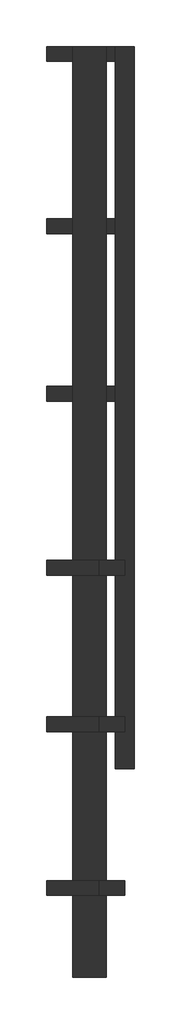
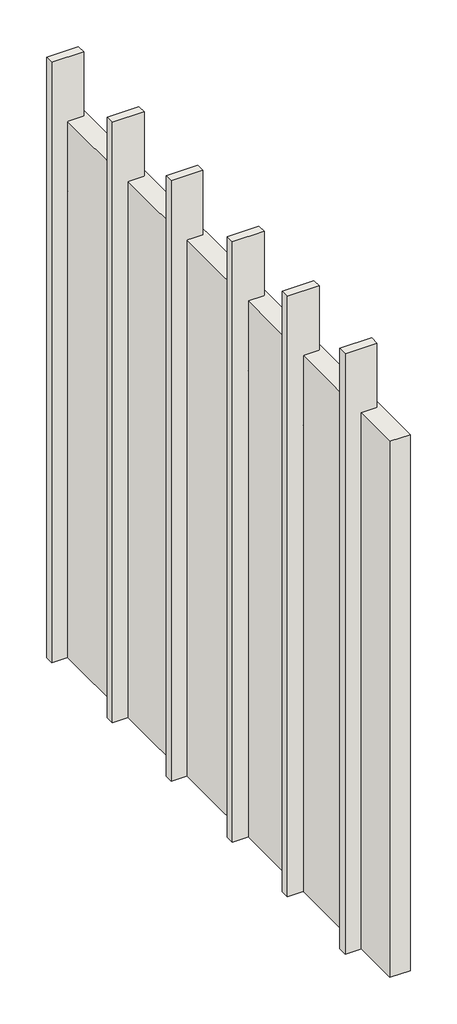
# One storey: 14 walls.
"""IFC4 building model written with IfcOpenShell, lengths in millimetres."""

from ifc_helpers import new_model, si_unit, origin, origin_with_axes, place, context, project, spatial, polyline, outline, extrude, element, save

model = new_model("IFC4")

# Units and contexts
model_context = context("Model", 3, world=origin())
ifc_project = project(units=[si_unit("LENGTHUNIT", "METRE", prefix="MILLI")], contexts=[model_context])

# Site, building, storey
site = spatial("IfcSite", under=ifc_project)
building = spatial("IfcBuilding", under=site)
storey = spatial("IfcBuildingStorey", under=building, Elevation=0.0)

# Walls
placement = place(None, origin())
element("IfcWall", 1, at=placement, inside=storey, context=model_context, shape_type="SweptSolid", body=[
    extrude(outline(polyline([(-16768.7183143, -2752.3496955), (-16768.7183143, -2712.3496955), (-16628.7183143, -2712.3496955), (-16628.7183143, -2752.3496955), (-16768.7183143, -2752.3496955)])), origin_with_axes(), (0.0, 0.0, 1.0), 2800.0),
])
element("IfcWall", 2, at=placement, inside=storey, context=model_context, shape_type="SweptSolid", body=[
    extrude(outline(polyline([(-16698.7183143, -5212.3496955), (-16698.7183143, -2712.3496955), (-16608.7183143, -2712.3496955), (-16608.7183143, -5212.3496955), (-16698.7183143, -5212.3496955)])), origin_with_axes(), (0.0, 0.0, 1.0), 2500.0),
])
element("IfcWall", 3, at=placement, inside=storey, context=model_context, shape_type="SweptSolid", body=[
    extrude(outline(polyline([(-16698.7183143, -2752.3496955), (-16698.7183143, -2712.3496955), (-16558.7183143, -2712.3496955), (-16558.7183143, -2752.3496955), (-16698.7183143, -2752.3496955)])), origin_with_axes(), (0.0, 0.0, 1.0), 2175.0),
])
element("IfcWall", 4, at=placement, inside=storey, context=model_context, shape_type="SweptSolid", body=[
    extrude(outline(polyline([(-16583.7183143, -4652.3496955), (-16583.7183143, -2712.3496955), (-16533.7183143, -2712.3496955), (-16533.7183143, -4652.3496955), (-16583.7183143, -4652.3496955)])), origin_with_axes(), (0.0, 0.0, 1.0), 1900.0),
])
element("IfcWall", 5, at=placement, inside=storey, context=model_context, shape_type="SweptSolid", body=[
    extrude(outline(polyline([(-16768.7183143, -3214.8496955), (-16768.7183143, -3174.8496955), (-16628.7183143, -3174.8496955), (-16628.7183143, -3214.8496955), (-16768.7183143, -3214.8496955)])), origin_with_axes(), (0.0, 0.0, 1.0), 2800.0),
])
element("IfcWall", 6, at=placement, inside=storey, context=model_context, shape_type="SweptSolid", body=[
    extrude(outline(polyline([(-16768.7183143, -3664.8496955), (-16768.7183143, -3624.8496955), (-16628.7183143, -3624.8496955), (-16628.7183143, -3664.8496955), (-16768.7183143, -3664.8496955)])), origin_with_axes(), (0.0, 0.0, 1.0), 2800.0),
])
element("IfcWall", 7, at=placement, inside=storey, context=model_context, shape_type="SweptSolid", body=[
    extrude(outline(polyline([(-16768.7183143, -4132.3496955), (-16768.7183143, -4092.3496955), (-16628.7183143, -4092.3496955), (-16628.7183143, -4132.3496955), (-16768.7183143, -4132.3496955)])), origin_with_axes(), (0.0, 0.0, 1.0), 2800.0),
])
element("IfcWall", 8, at=placement, inside=storey, context=model_context, shape_type="SweptSolid", body=[
    extrude(outline(polyline([(-16768.7183143, -4552.3496955), (-16768.7183143, -4512.3496955), (-16628.7183143, -4512.3496955), (-16628.7183143, -4552.3496955), (-16768.7183143, -4552.3496955)])), origin_with_axes(), (0.0, 0.0, 1.0), 2800.0),
])
element("IfcWall", 9, at=placement, inside=storey, context=model_context, shape_type="SweptSolid", body=[
    extrude(outline(polyline([(-16698.7183143, -3214.8496955), (-16698.7183143, -3174.8496955), (-16558.7183143, -3174.8496955), (-16558.7183143, -3214.8496955), (-16698.7183143, -3214.8496955)])), origin_with_axes(), (0.0, 0.0, 1.0), 2175.0),
])
element("IfcWall", 10, at=placement, inside=storey, context=model_context, shape_type="SweptSolid", body=[
    extrude(outline(polyline([(-16698.7183143, -3664.8496955), (-16698.7183143, -3624.8496955), (-16558.7183143, -3624.8496955), (-16558.7183143, -3664.8496955), (-16698.7183143, -3664.8496955)])), origin_with_axes(), (0.0, 0.0, 1.0), 2175.0),
])
element("IfcWall", 11, at=placement, inside=storey, context=model_context, shape_type="SweptSolid", body=[
    extrude(outline(polyline([(-16698.7183143, -4132.3496955), (-16698.7183143, -4092.3496955), (-16558.7183143, -4092.3496955), (-16558.7183143, -4132.3496955), (-16698.7183143, -4132.3496955)])), origin_with_axes(), (0.0, 0.0, 1.0), 2175.0),
])
element("IfcWall", 12, at=placement, inside=storey, context=model_context, shape_type="SweptSolid", body=[
    extrude(outline(polyline([(-16698.7183143, -4552.3496955), (-16698.7183143, -4512.3496955), (-16558.7183143, -4512.3496955), (-16558.7183143, -4552.3496955), (-16698.7183143, -4552.3496955)])), origin_with_axes(), (0.0, 0.0, 1.0), 2175.0),
])
element("IfcWall", 13, at=placement, inside=storey, context=model_context, shape_type="SweptSolid", body=[
    extrude(outline(polyline([(-16768.7183143, -4992.3496955), (-16768.7183143, -4952.3496955), (-16628.7183143, -4952.3496955), (-16628.7183143, -4992.3496955), (-16768.7183143, -4992.3496955)])), origin_with_axes(), (0.0, 0.0, 1.0), 2800.0),
])
element("IfcWall", 14, at=placement, inside=storey, context=model_context, shape_type="SweptSolid", body=[
    extrude(outline(polyline([(-16698.7183143, -4992.3496955), (-16698.7183143, -4952.3496955), (-16558.7183143, -4952.3496955), (-16558.7183143, -4992.3496955), (-16698.7183143, -4992.3496955)])), origin_with_axes(), (0.0, 0.0, 1.0), 2175.0),
])

save(model, "model.ifc")
